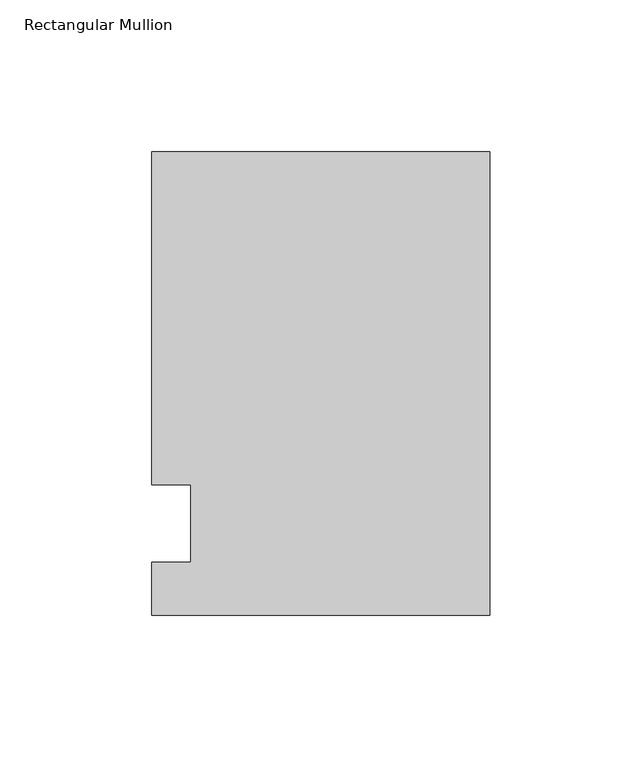
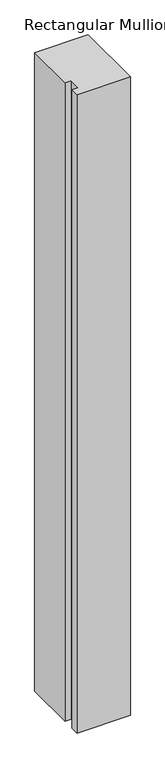
"""IFC4 building model written with IfcOpenShell, lengths in millimetres: member geometry, Rectangular Mullion."""

from ifc_helpers import new_model, si_unit, frame, origin, place, context, project, spatial, polyline, outline, extrude, source, transform, mapped, element, save


def rectangular_mullion_85f0073c(model_context):
    return source(origin(), model_context, "Body", "SweptSolid", [
        extrude(outline(polyline([(-111.125, 122.2375), (0.0, 122.2375), (0.0, -30.1625), (-111.125, -30.1625), (-111.125, -12.7), (-98.4232296, -12.7), (-98.4232296, 12.7), (-111.125, 12.7), (-111.125, 122.2375)])), frame((0.0, 0.0, -1405.4666667), z_axis=(0.0, 0.0, 1.0), x_axis=(1.0, 0.0, 0.0)), (0.0, 0.0, 1.0), 1405.4666667),
    ])


if __name__ == "__main__":
    model = new_model("IFC4")
    model_context = context("Model", 3, world=origin())
    ifc_project = project(units=[si_unit("LENGTHUNIT", "METRE", prefix="MILLI")], contexts=[model_context])
    site = spatial("IfcSite", under=ifc_project)
    building = spatial("IfcBuilding", under=site)
    placement = place(None, origin())
    rectangular_mullion_shape = rectangular_mullion_85f0073c(model_context)
    element("IfcMember", 1, ObjectType="Rectangular Mullion", at=placement, inside=building, context=model_context, shape_type="MappedRepresentation", body=[
        mapped(rectangular_mullion_shape, transform((0.0, 0.0, 0.0), x_axis=(1.0, 0.0, 0.0), y_axis=(0.0, 1.0, 0.0), z_axis=(0.0, 0.0, 1.0))),
    ])
    save(model, "model.ifc")
